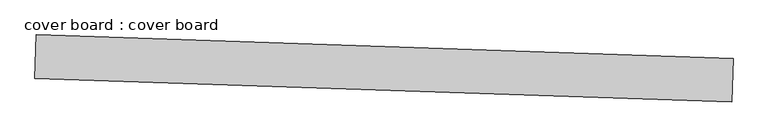
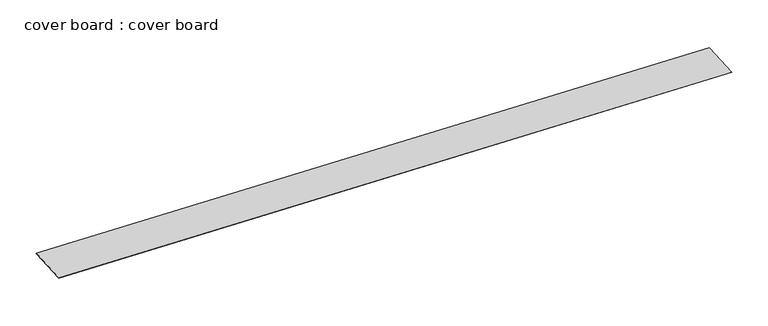
"""IFC4 building model written with IfcOpenShell, lengths in millimetres: proxy geometry, cover board : cover board."""

from ifc_helpers import new_model, si_unit, frame, origin, place, context, project, spatial, polyline, outline, extrude, source, transform, mapped, element, save


def cover_board_cover_board_12808e6c(model_context):
    return source(origin(), model_context, "Body", "SweptSolid", [
        extrude(outline(polyline([(17296.129149, -14875.7577541), (34354.9495706, -15459.5413526), (34318.4114939, -16527.2254942), (17259.5910722, -15943.4418958), (17296.129149, -14875.7577541)])), frame((0.0, 0.0, 4744.400708), z_axis=(0.0, 0.0, 1.0), x_axis=(1.0, 0.0, 0.0)), (0.0, 0.0, 1.0), 12.7),
    ])


if __name__ == "__main__":
    model = new_model("IFC4")
    model_context = context("Model", 3, world=origin())
    ifc_project = project(units=[si_unit("LENGTHUNIT", "METRE", prefix="MILLI")], contexts=[model_context])
    site = spatial("IfcSite", under=ifc_project)
    building = spatial("IfcBuilding", under=site)
    placement = place(None, origin())
    cover_board_cover_board_shape = cover_board_cover_board_12808e6c(model_context)
    element("IfcBuildingElementProxy", 1, Name="cover board : cover board", ObjectType="cover board : cover board", at=placement, inside=building, context=model_context, shape_type="MappedRepresentation", body=[
        mapped(cover_board_cover_board_shape, transform((0.0, 0.0, 0.0), x_axis=(1.0, 0.0, 0.0), y_axis=(0.0, 1.0, 0.0), z_axis=(0.0, 0.0, 1.0))),
    ])
    save(model, "model.ifc")
